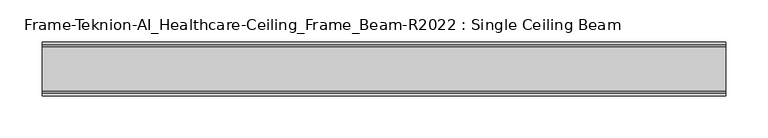
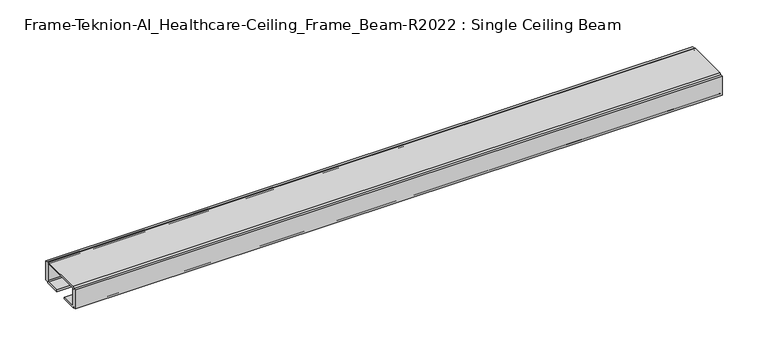
"""IFC4 building model written with IfcOpenShell, lengths in millimetres: furniture geometry, Frame-Teknion-AI_Healthcare-Ceiling_Frame_Beam-R2022 : Single Ceiling Beam."""

from ifc_helpers import new_model, si_unit, point, frame, frame_2d, origin, place, context, project, spatial, polyline, circle_curve, trimmed, segment, composite_curve, outline, extrude, source, transform, mapped, element, save


def frame_teknion_ai_healthcare_ceiling_frame_beam_r2022_single_4a02d3c1(model_context):
    return source(origin(), model_context, "Body", "SweptSolid", [
        extrude(outline(composite_curve([segment(polyline([(-32.174996, 1573.5046), (-32.174996, 1598.9045998), (-28.999999, 1598.9045998), (-28.999999, 1597.787)]), True, "CONTINUOUS"), segment(trimmed(circle_curve(frame_2d((-26.5869991, 1597.787)), 2.413), [point((-28.999999, 1597.787))], [point((-26.5869991, 1600.2))], False, "CARTESIAN"), True, "CONTINUOUS"), segment(polyline([(-26.5869991, 1600.2), (26.5869991, 1600.2)]), True, "CONTINUOUS"), segment(trimmed(circle_curve(frame_2d((26.5869991, 1597.787)), 2.413), [point((26.5869991, 1600.2))], [point((28.999999, 1597.787))], False, "CARTESIAN"), True, "CONTINUOUS"), segment(polyline([(28.999999, 1597.787), (28.999999, 1598.9045998), (32.174996, 1598.9045998), (32.174996, 1573.5046), (28.999999, 1573.5046), (28.999999, 1574.6129989)]), True, "CONTINUOUS"), segment(trimmed(circle_curve(frame_2d((26.5869991, 1574.6129989)), 2.413), [point((28.999999, 1574.6129989))], [point((26.5869991, 1572.199999))], False, "CARTESIAN"), True, "CONTINUOUS"), segment(polyline([(26.5869991, 1572.199999), (7.9374947, 1572.199999), (7.9374947, 1574.4859991), (25.4440002, 1574.4859991)]), True, "CONTINUOUS"), segment(trimmed(circle_curve(frame_2d((25.4440002, 1576.0099999)), 1.5240008), [point((25.4440002, 1574.4859991))], [point((26.968001, 1576.0099999))], True, "CARTESIAN"), True, "CONTINUOUS"), segment(polyline([(26.968001, 1576.0099999), (26.968001, 1597.1520009)]), True, "CONTINUOUS"), segment(trimmed(circle_curve(frame_2d((25.9520019, 1597.1520009)), 1.015999), [point((26.968001, 1597.1520009))], [point((25.9520019, 1598.168))], True, "CARTESIAN"), True, "CONTINUOUS"), segment(polyline([(25.9520019, 1598.168), (-25.9520019, 1598.168)]), True, "CONTINUOUS"), segment(trimmed(circle_curve(frame_2d((-25.9520019, 1597.1520009)), 1.015999), [point((-25.9520019, 1598.168))], [point((-26.968001, 1597.1520009))], True, "CARTESIAN"), True, "CONTINUOUS"), segment(polyline([(-26.968001, 1597.1520009), (-26.968001, 1576.0099999)]), True, "CONTINUOUS"), segment(trimmed(circle_curve(frame_2d((-25.4440002, 1576.0099999)), 1.5240008), [point((-26.968001, 1576.0099999))], [point((-25.4440002, 1574.4859991))], True, "CARTESIAN"), True, "CONTINUOUS"), segment(polyline([(-25.4440002, 1574.4859991), (-7.9374947, 1574.4859991), (-7.9374947, 1572.199999), (-26.5869991, 1572.199999)]), True, "CONTINUOUS"), segment(trimmed(circle_curve(frame_2d((-26.5869991, 1574.6129989)), 2.413), [point((-26.5869991, 1572.199999))], [point((-28.999999, 1574.6129989))], False, "CARTESIAN"), True, "CONTINUOUS"), segment(polyline([(-28.999999, 1574.6129989), (-28.999999, 1573.5046), (-32.174996, 1573.5046)]), True, "CONTINUOUS")], self_intersect=False)), frame((-407.1249464, 0.0, 0.0), z_axis=(1.0, 0.0, 0.0), x_axis=(0.0, 1.0, 0.0)), (0.0, 0.0, 1.0), 814.2498928),
    ])


if __name__ == "__main__":
    model = new_model("IFC4")
    model_context = context("Model", 3, world=origin())
    ifc_project = project(units=[si_unit("LENGTHUNIT", "METRE", prefix="MILLI")], contexts=[model_context])
    site = spatial("IfcSite", under=ifc_project)
    building = spatial("IfcBuilding", under=site)
    placement = place(None, origin())
    frame_teknion_ai_healthcare_ceiling_frame_beam_r2022_single_shape = frame_teknion_ai_healthcare_ceiling_frame_beam_r2022_single_4a02d3c1(model_context)
    element("IfcFurniture", 1, ObjectType="Frame-Teknion-AI_Healthcare-Ceiling_Frame_Beam-R2022 : Single Ceiling Beam", at=placement, inside=building, context=model_context, shape_type="MappedRepresentation", body=[
        mapped(frame_teknion_ai_healthcare_ceiling_frame_beam_r2022_single_shape, transform((0.0, 0.0, 0.0), x_axis=(1.0, 0.0, 0.0), y_axis=(0.0, 1.0, 0.0), z_axis=(0.0, 0.0, 1.0))),
    ])
    save(model, "model.ifc")
